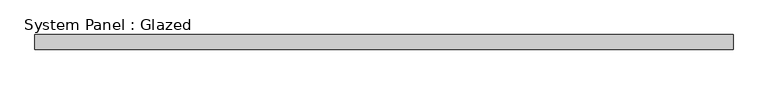
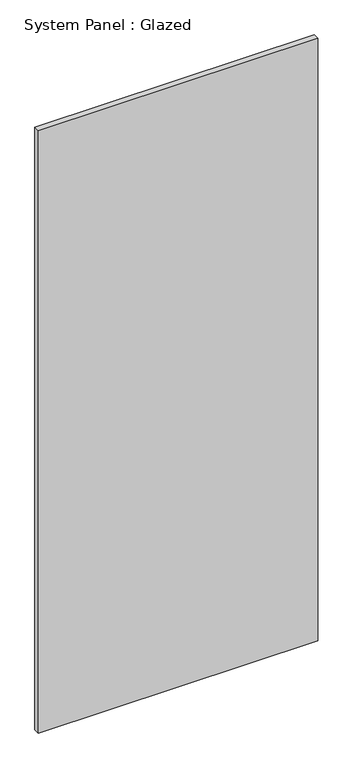
"""IFC4 building model written with IfcOpenShell, lengths in millimetres: plate geometry, System Panel : Glazed."""

from ifc_helpers import new_model, si_unit, origin, origin_with_axes, place, context, project, spatial, polyline, outline, extrude, source, transform, mapped, element, save


def system_panel_glazed_fc3b4a4f(model_context):
    return source(origin(), model_context, "Body", "SweptSolid", [
        extrude(outline(polyline([(590.55, -44.45), (-590.55, -44.45), (-590.55, -19.05), (590.55, -19.05), (590.55, -44.45)])), origin_with_axes(), (0.0, 0.0, 1.0), 2692.4),
    ])


if __name__ == "__main__":
    model = new_model("IFC4")
    model_context = context("Model", 3, world=origin())
    ifc_project = project(units=[si_unit("LENGTHUNIT", "METRE", prefix="MILLI")], contexts=[model_context])
    site = spatial("IfcSite", under=ifc_project)
    building = spatial("IfcBuilding", under=site)
    placement = place(None, origin())
    system_panel_glazed_shape = system_panel_glazed_fc3b4a4f(model_context)
    element("IfcPlate", 1, ObjectType="System Panel : Glazed", at=placement, inside=building, context=model_context, shape_type="MappedRepresentation", body=[
        mapped(system_panel_glazed_shape, transform((0.0, 0.0, 0.0), x_axis=(1.0, 0.0, 0.0), y_axis=(0.0, 1.0, 0.0), z_axis=(0.0, 0.0, 1.0))),
    ])
    save(model, "model.ifc")
